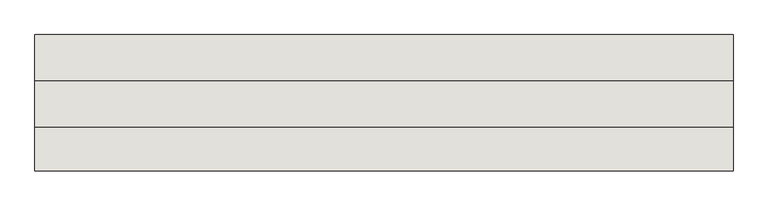
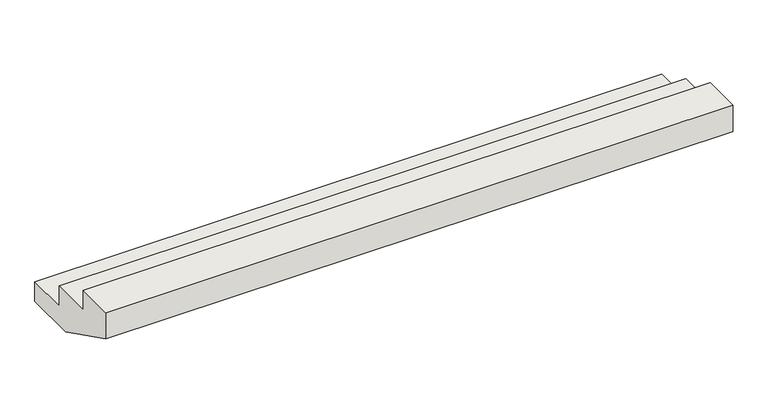
"""IFC4 building model written with IfcOpenShell, lengths in millimetres: wall geometry."""

import ifcopenshell
import ifcopenshell.guid

model = None  # the IFC model being written
_history = None  # IfcOwnerHistory: only IFC2X3 demands one
_inside = {}  # id of a spatial element -> (the spatial element, [elements in it])
_under = {}  # id of a project, library or spatial element -> (it, [spatial elements below it])
_declared = {}  # id of a project -> (the project, [libraries it declares])
_typed = {}  # id of a type object -> (the type object, [elements of that type])
_made_of = {}  # id of a material, layer set ... -> (it, [elements and type objects made of it])


def new_model(schema):
    """Start an empty IFC model of exactly this schema.

    Asked for "IFC4X3", IfcOpenShell would pick the latest addendum, in which some entities
    have other attributes; the version numbers below select the first issue.
    IFC2X3 requires an IfcOwnerHistory on every rooted entity: one is made here for all.
    """
    global model, _history
    if schema == "IFC4X3":
        model = ifcopenshell.file(schema_version=(4, 3, 0, 0))
    else:
        model = ifcopenshell.file(schema=schema)
    _inside.clear()
    _under.clear()
    _declared.clear()
    _typed.clear()
    _made_of.clear()
    _history = None
    if model.schema == "IFC2X3":
        org = make("IfcOrganization", Name="unknown")
        user = make(
            "IfcPersonAndOrganization",
            ThePerson=make("IfcPerson", FamilyName="unknown"),
            TheOrganization=org,
        )
        app = make(
            "IfcApplication",
            ApplicationDeveloper=org,
            Version="unknown",
            ApplicationFullName="unknown",
            ApplicationIdentifier="unknown",
        )
        _history = make(
            "IfcOwnerHistory",
            OwningUser=user,
            OwningApplication=app,
            ChangeAction="ADDED",
            CreationDate=0,
        )
    return model


def make(cls, **values):
    """One entity of the class cls with the attributes given. An attribute that is None is left unset."""
    return model.create_entity(
        cls, **{name: value for name, value in values.items() if value is not None}
    )


def rooted(cls, **values):
    """An entity with a GlobalId (a new one), such as an element, a storey or a relation."""
    return make(cls, GlobalId=ifcopenshell.guid.new(), OwnerHistory=_history, **values)


def si_unit(unit_type, name, prefix=None):
    """IfcSIUnit, for example si_unit("LENGTHUNIT", "METRE", prefix="MILLI")."""
    return make("IfcSIUnit", UnitType=unit_type, Prefix=prefix, Name=name)


def assignment(units):
    """IfcUnitAssignment: the units of a project."""
    return None if units is None else make("IfcUnitAssignment", Units=units)


def point(xyz):
    """IfcCartesianPoint."""
    return None if xyz is None else make("IfcCartesianPoint", Coordinates=xyz)


def direction(xyz):
    """IfcDirection."""
    return None if xyz is None else make("IfcDirection", DirectionRatios=xyz)


def frame(location, z_axis=None, x_axis=None):
    """IfcAxis2Placement3D, a coordinate frame: its origin and axes. An axis left out is left unset."""
    return make(
        "IfcAxis2Placement3D",
        Location=point(location),
        Axis=direction(z_axis),
        RefDirection=direction(x_axis),
    )


def origin():
    """The frame at (0, 0, 0) with its axes left unset."""
    return frame((0.0, 0.0, 0.0))


def place(relative_to, where):
    """IfcLocalPlacement: puts the frame where relative to a parent placement (None: the world)."""
    return make(
        "IfcLocalPlacement", PlacementRelTo=relative_to, RelativePlacement=where
    )


def context(
    kind, dimensions, precision=None, world=None, true_north=None, identifier=None
):
    """IfcGeometricRepresentationContext, for example the 3D "Model" context."""
    return make(
        "IfcGeometricRepresentationContext",
        ContextIdentifier=identifier,
        ContextType=kind,
        CoordinateSpaceDimension=dimensions,
        Precision=precision,
        WorldCoordinateSystem=world,
        TrueNorth=true_north,
    )


def project(units=None, contexts=None):
    """IfcProject with its units and contexts."""
    return rooted(
        "IfcProject",
        Name="project",
        RepresentationContexts=contexts,
        UnitsInContext=assignment(units),
    )


def spatial(cls, under=None, at=None, **own):
    """A site, building, storey or space (cls), placed at a placement, below another one or the project."""
    s = rooted(cls, ObjectPlacement=at, **own)
    if under is not None:
        _under.setdefault(under.id(), (under, []))[1].append(s)
    return s


def polyline(points):
    """IfcPolyline through the points."""
    return make("IfcPolyline", Points=[point(p) for p in points])


def outline(outer, holes=None, kind="AREA"):
    """IfcArbitraryClosedProfileDef: a profile drawn as a closed curve; with holes, ...WithVoids."""
    if holes is None:
        return make("IfcArbitraryClosedProfileDef", ProfileType=kind, OuterCurve=outer)
    return make(
        "IfcArbitraryProfileDefWithVoids",
        ProfileType=kind,
        OuterCurve=outer,
        InnerCurves=holes,
    )


def extrude(swept, where, along, depth):
    """IfcExtrudedAreaSolid: the profile swept, set in the frame where, extruded along a direction by depth."""
    return make(
        "IfcExtrudedAreaSolid",
        SweptArea=swept,
        Position=where,
        ExtrudedDirection=direction(along),
        Depth=depth,
    )


def shape(context_of_items, identifier, shape_type, items):
    """IfcShapeRepresentation: the items that make up one representation, for example the "Body"."""
    return make(
        "IfcShapeRepresentation",
        ContextOfItems=context_of_items,
        RepresentationIdentifier=identifier,
        RepresentationType=shape_type,
        Items=items,
    )


def source(mapping_origin, context_of_items, identifier, shape_type, items):
    """IfcRepresentationMap: a shape defined once, which mapped items show again and again."""
    return make(
        "IfcRepresentationMap",
        MappingOrigin=mapping_origin,
        MappedRepresentation=shape(context_of_items, identifier, shape_type, items),
    )


def transform(
    local_origin,
    x_axis=None,
    y_axis=None,
    z_axis=None,
    scale=None,
    scale2=None,
    scale3=None,
    uniform=True,
):
    """IfcCartesianTransformationOperator3D, or its non-uniform kind. x_axis, y_axis, z_axis: its Axis1, 2, 3."""
    if uniform:
        return make(
            "IfcCartesianTransformationOperator3D",
            Axis1=direction(x_axis),
            Axis2=direction(y_axis),
            LocalOrigin=point(local_origin),
            Scale=scale,
            Axis3=direction(z_axis),
        )
    return make(
        "IfcCartesianTransformationOperator3DnonUniform",
        Axis1=direction(x_axis),
        Axis2=direction(y_axis),
        LocalOrigin=point(local_origin),
        Scale=scale,
        Axis3=direction(z_axis),
        Scale2=scale2,
        Scale3=scale3,
    )


def mapped(mapping_source, mapping_target):
    """IfcMappedItem: shows the shape of a source again, moved by a transform."""
    return make(
        "IfcMappedItem", MappingSource=mapping_source, MappingTarget=mapping_target
    )


def made_of(thing, what):
    """Note that an element or type object is made of a material, layer set ...; save() writes the relation."""
    if what is not None:
        _made_of.setdefault(what.id(), (what, []))[1].append(thing)
    return thing


def element(
    cls,
    number,
    at=None,
    inside=None,
    cuts=None,
    type_object=None,
    material=None,
    context=None,
    identifier="Body",
    shape_type=None,
    held_by="IfcProductDefinitionShape",
    body=None,
    shapes=None,
    **own,
):
    """One element of the class cls, such as IfcWall. Its Tag is "e" and its number.

    at: its placement. inside: the storey or other place that contains it. cuts: it is an
    opening in that element (IfcRelVoidsElement). A single representation is given by context,
    identifier, shape_type and body (its items); several are given by shapes. held_by: the class
    of the entity that holds the representations. save() writes the other relations.
    """
    e = rooted(cls, Tag="e%d" % number, ObjectPlacement=at, **own)
    if body is not None:
        shapes = [shape(context, identifier, shape_type, body)]
    if shapes is not None:
        e.Representation = make(held_by, Representations=shapes)
    if inside is not None:
        _inside.setdefault(inside.id(), (inside, []))[1].append(e)
    if cuts is not None:
        rooted(
            "IfcRelVoidsElement", RelatingBuildingElement=cuts, RelatedOpeningElement=e
        )
    if type_object is not None:
        _typed.setdefault(type_object.id(), (type_object, []))[1].append(e)
    return made_of(e, material)


def aggregate(whole, parts):
    """IfcRelAggregates: a whole, such as a stair, and the parts it consists of."""
    return rooted("IfcRelAggregates", RelatingObject=whole, RelatedObjects=parts)


def save(model, path):
    """Write the relations noted so far, then the file.

    IfcRelAggregates (storeys below a building ...), IfcRelContainedInSpatialStructure (elements
    in a storey), IfcRelDefinesByType, IfcRelAssociatesMaterial and IfcRelDeclares: one each for
    every whole, place, type object, material and project.
    """
    for whole, parts in _under.values():
        aggregate(whole, parts)
    for where, things in _inside.values():
        rooted(
            "IfcRelContainedInSpatialStructure",
            RelatedElements=things,
            RelatingStructure=where,
        )
    for kind, things in _typed.values():
        rooted("IfcRelDefinesByType", RelatedObjects=things, RelatingType=kind)
    for what, things in _made_of.values():
        rooted("IfcRelAssociatesMaterial", RelatedObjects=things, RelatingMaterial=what)
    for by, libraries in _declared.values():
        rooted("IfcRelDeclares", RelatingContext=by, RelatedDefinitions=libraries)
    model.write(path)


def wall_38a3e6b1(model_context):
    return source(origin(), model_context, "Body", "SweptSolid", [
        extrude(outline(polyline([(24322.6573753, -500.0), (23942.5258191, -500.0), (23442.5258191, -250.0), (23442.5258191, -50.0), (23722.6573753, -50.0), (23722.6573753, -200.0), (24022.6573753, -200.0), (24022.6573753, -350.0), (24322.6573753, -350.0), (24322.6573753, -500.0)])), frame((14914.4559604, 0.0, 0.0), z_axis=(1.0, 0.0, 0.0), x_axis=(0.0, 1.0, 0.0)), (0.0, 0.0, 1.0), 4500.0),
    ])


if __name__ == "__main__":
    model = new_model("IFC4")
    model_context = context("Model", 3, world=origin())
    ifc_project = project(units=[si_unit("LENGTHUNIT", "METRE", prefix="MILLI")], contexts=[model_context])
    site = spatial("IfcSite", under=ifc_project)
    building = spatial("IfcBuilding", under=site)
    placement = place(None, origin())
    wall_shape = wall_38a3e6b1(model_context)
    element("IfcWall", 1, at=placement, inside=building, context=model_context, shape_type="MappedRepresentation", body=[
        mapped(wall_shape, transform((0.0, 0.0, 0.0), x_axis=(1.0, 0.0, 0.0), y_axis=(0.0, 1.0, 0.0), z_axis=(0.0, 0.0, 1.0))),
    ])
    save(model, "model.ifc")
